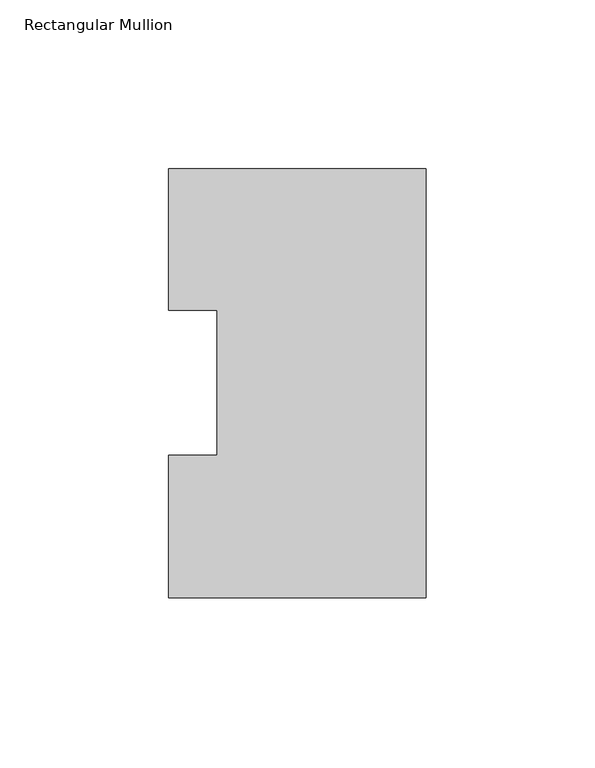
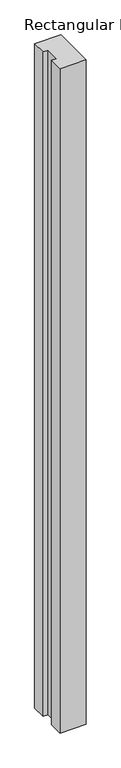
"""IFC4 building model written with IfcOpenShell, lengths in millimetres: member geometry, Rectangular Mullion."""

from ifc_helpers import new_model, si_unit, frame, origin, place, context, project, spatial, polyline, outline, extrude, source, transform, mapped, element, save


def rectangular_mullion_06c5c29b(model_context):
    return source(origin(), model_context, "Body", "SweptSolid", [
        extrude(outline(polyline([(-76.1994574, -0.0111125), (-76.1994574, 42.2798875), (-61.9139549, 42.2798875), (-61.9139549, 85.1296875), (-76.1994574, 85.1296875), (-76.1994574, 126.9888875), (0.0, 126.9888875), (0.0, -0.0111125), (-76.1994574, -0.0111125)])), frame((0.0, 0.0, -2044.4591858), z_axis=(0.0, 0.0, 1.0), x_axis=(1.0, 0.0, 0.0)), (0.0, 0.0, 1.0), 2044.4591858),
    ])


if __name__ == "__main__":
    model = new_model("IFC4")
    model_context = context("Model", 3, world=origin())
    ifc_project = project(units=[si_unit("LENGTHUNIT", "METRE", prefix="MILLI")], contexts=[model_context])
    site = spatial("IfcSite", under=ifc_project)
    building = spatial("IfcBuilding", under=site)
    placement = place(None, origin())
    rectangular_mullion_shape = rectangular_mullion_06c5c29b(model_context)
    element("IfcMember", 1, ObjectType="Rectangular Mullion", at=placement, inside=building, context=model_context, shape_type="MappedRepresentation", body=[
        mapped(rectangular_mullion_shape, transform((0.0, 0.0, 0.0), x_axis=(1.0, 0.0, 0.0), y_axis=(0.0, 1.0, 0.0), z_axis=(0.0, 0.0, 1.0))),
    ])
    save(model, "model.ifc")
